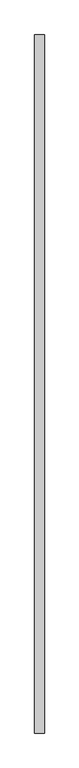
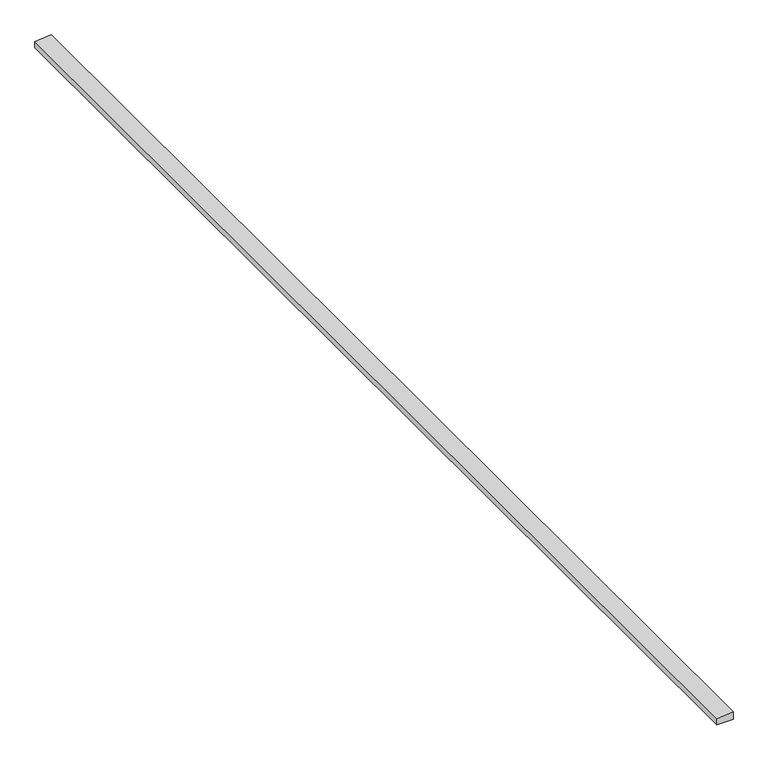
"""IFC4 building model written with IfcOpenShell, lengths in millimetres: proxy geometry."""

from ifc_helpers import new_model, si_unit, frame, origin, place, context, project, spatial, polyline, outline, extrude, source, transform, mapped, element, save


def generic_models_54df477f(model_context):
    return source(origin(), model_context, "Body", "SweptSolid", [
        extrude(outline(polyline([(5725.2723884, 37725.2868322), (5689.5147181, 37725.2868322), (5689.5147181, 37815.6463499), (5733.1778219, 37815.6463499), (5725.2723884, 37725.2868322)])), frame((0.0, -25196.3529893, 0.0), z_axis=(0.0, 1.0, 0.0), x_axis=(0.0, 0.0, 1.0)), (0.0, 0.0, 1.0), 6533.92),
    ])


if __name__ == "__main__":
    model = new_model("IFC4")
    model_context = context("Model", 3, world=origin())
    ifc_project = project(units=[si_unit("LENGTHUNIT", "METRE", prefix="MILLI")], contexts=[model_context])
    site = spatial("IfcSite", under=ifc_project)
    building = spatial("IfcBuilding", under=site)
    placement = place(None, origin())
    generic_models_shape = generic_models_54df477f(model_context)
    element("IfcBuildingElementProxy", 1, Name="Generic Models", at=placement, inside=building, context=model_context, shape_type="MappedRepresentation", body=[
        mapped(generic_models_shape, transform((0.0, 0.0, 0.0), x_axis=(1.0, 0.0, 0.0), y_axis=(0.0, 1.0, 0.0), z_axis=(0.0, 0.0, 1.0))),
    ])
    save(model, "model.ifc")
